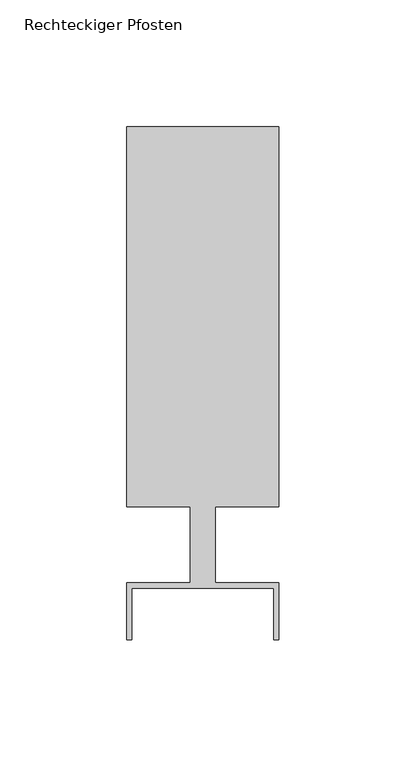
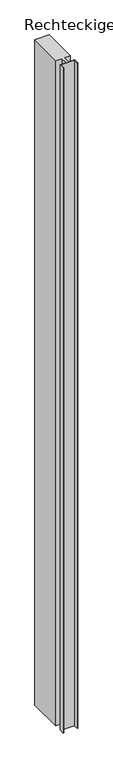
"""IFC4 building model written with IfcOpenShell, lengths in millimetres: member geometry, Rechteckiger Pfosten."""

from ifc_helpers import new_model, si_unit, frame, origin, place, context, project, spatial, polyline, outline, extrude, source, transform, mapped, element, save


def rechteckiger_pfosten_fd77cbcd(model_context):
    return source(origin(), model_context, "Body", "SweptSolid", [
        extrude(outline(polyline([(28.0, -37.5), (28.0, -17.0), (-28.0, -17.0), (-28.0, -37.5), (-30.0, -37.5), (-30.0, -15.0), (-5.0, -15.0), (-5.0, 15.0), (-30.0, 15.0), (-30.0, 165.0), (30.0, 165.0), (30.0, 15.0), (5.0, 15.0), (5.0, -15.0), (30.0, -15.0), (30.0, -37.5), (28.0, -37.5)])), frame((0.0, 0.0, -2910.0), z_axis=(0.0, 0.0, 1.0), x_axis=(1.0, 0.0, 0.0)), (0.0, 0.0, 1.0), 2910.0),
    ])


if __name__ == "__main__":
    model = new_model("IFC4")
    model_context = context("Model", 3, world=origin())
    ifc_project = project(units=[si_unit("LENGTHUNIT", "METRE", prefix="MILLI")], contexts=[model_context])
    site = spatial("IfcSite", under=ifc_project)
    building = spatial("IfcBuilding", under=site)
    placement = place(None, origin())
    rechteckiger_pfosten_shape = rechteckiger_pfosten_fd77cbcd(model_context)
    element("IfcMember", 1, ObjectType="Rechteckiger Pfosten", at=placement, inside=building, context=model_context, shape_type="MappedRepresentation", body=[
        mapped(rechteckiger_pfosten_shape, transform((0.0, 0.0, 0.0), x_axis=(1.0, 0.0, 0.0), y_axis=(0.0, 1.0, 0.0), z_axis=(0.0, 0.0, 1.0))),
    ])
    save(model, "model.ifc")
